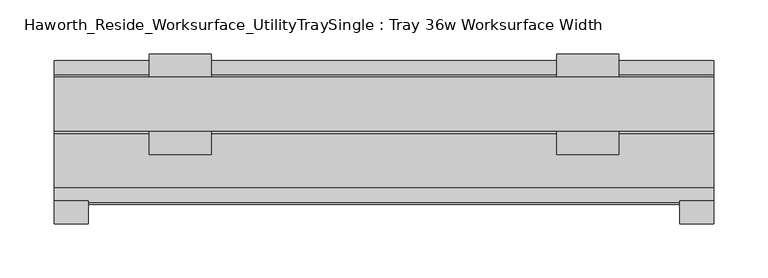
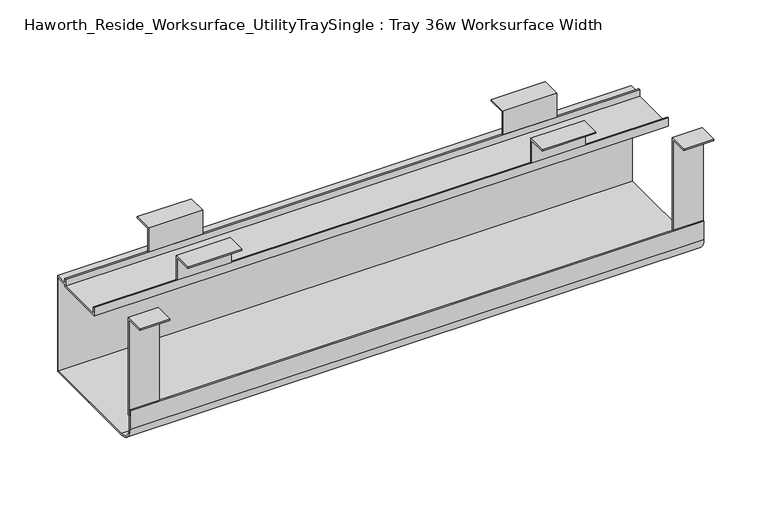
"""IFC4 building model written with IfcOpenShell, lengths in millimetres: furniture geometry, Haworth_Reside_Worksurface_UtilityTraySingle : Tray 36w Worksurface Width."""

from ifc_helpers import new_model, si_unit, point, frame, frame_2d, origin, place, context, project, spatial, polyline, circle_curve, trimmed, segment, composite_curve, outline, extrude, source, transform, mapped, element, save


def haworth_reside_worksurface_utilitytraysingle_tray_36w_8e8decc5(model_context):
    return source(origin(), model_context, "Body", "SweptSolid", [
        extrude(outline(polyline([(85.2804983, 731.8375), (85.2804983, 705.0616227), (83.6929983, 705.0616227), (83.6929983, 730.25), (64.1984987, 730.25), (64.1984987, 731.8375), (85.2804983, 731.8375)])), frame((235.74375, 0.0, 0.0), z_axis=(1.0, 0.0, 0.0), x_axis=(0.0, 1.0, 0.0)), (0.0, 0.0, 1.0), 57.15),
        extrude(outline(polyline([(136.0804991, 731.8375), (157.1625, 731.8375), (157.1625, 730.25), (137.6679991, 730.25), (137.6679991, 705.0616227), (136.0804991, 705.0616227), (136.0804991, 731.8375)])), frame((235.74375, 0.0, 0.0), z_axis=(1.0, 0.0, 0.0), x_axis=(0.0, 1.0, 0.0)), (0.0, 0.0, 1.0), 57.15),
        extrude(outline(polyline([(85.2804983, 731.8375), (85.2804983, 705.0616227), (83.6929983, 705.0616227), (83.6929983, 730.25), (64.1984987, 730.25), (64.1984987, 731.8375), (85.2804983, 731.8375)])), frame((-140.49375, 0.0, 0.0), z_axis=(1.0, 0.0, 0.0), x_axis=(0.0, 1.0, 0.0)), (0.0, 0.0, 1.0), 57.15),
        extrude(outline(polyline([(136.0804991, 731.8375), (157.1625, 731.8375), (157.1625, 730.25), (137.6679991, 730.25), (137.6679991, 705.0616227), (136.0804991, 705.0616227), (136.0804991, 731.8375)])), frame((-140.49375, 0.0, 0.0), z_axis=(1.0, 0.0, 0.0), x_axis=(0.0, 1.0, 0.0)), (0.0, 0.0, 1.0), 57.15),
        extrude(outline(polyline([(21.0438957, 731.8375), (21.0438957, 622.3673792), (19.4563957, 622.3673792), (19.4563957, 730.25), (0.0, 730.25), (0.0, 731.8375), (21.0438957, 731.8375)])), frame((349.25, 0.0, 0.0), z_axis=(1.0, 0.0, 0.0), x_axis=(0.0, 1.0, 0.0)), (0.0, 0.0, 1.0), 31.75),
        extrude(outline(polyline([(21.0438957, 731.8375), (21.0438957, 622.3673792), (19.4563957, 622.3673792), (19.4563957, 730.25), (0.0, 730.25), (0.0, 731.8375), (21.0438957, 731.8375)])), frame((-228.6, 0.0, 0.0), z_axis=(1.0, 0.0, 0.0), x_axis=(0.0, 1.0, 0.0)), (0.0, 0.0, 1.0), 31.75),
        extrude(outline(composite_curve([segment(polyline([(151.2189002, 592.1375), (33.7438957, 592.1375)]), True, "CONTINUOUS"), segment(trimmed(circle_curve(frame_2d((33.7438957, 608.0125)), 15.875), [point((33.7438957, 592.1375))], [point((17.8688957, 608.0125))], False, "CARTESIAN"), True, "CONTINUOUS"), segment(polyline([(17.8688957, 608.0125), (17.8688957, 629.0309801), (19.4563957, 629.0309801), (19.4563957, 608.0759608)]), True, "CONTINUOUS"), segment(trimmed(circle_curve(frame_2d((33.7438957, 608.0759608)), 14.2875), [point((19.4563957, 608.0759608))], [point((33.7438957, 593.7884608))], True, "CARTESIAN"), True, "CONTINUOUS"), segment(polyline([(33.7438957, 593.7884608), (149.6314002, 593.7884608), (149.6314002, 698.4364942), (137.6679991, 698.4364942), (137.6679991, 695.8584054), (83.6929983, 695.8584054), (83.6929983, 705.0616227), (85.2804983, 705.0616227), (85.2804983, 697.4459054), (136.0804991, 697.4459054), (136.0804991, 705.0616227), (137.6679991, 705.0616227), (137.6679991, 700.0239942), (151.2189002, 700.0239942), (151.2189002, 592.1375)]), True, "CONTINUOUS")], self_intersect=False)), frame((-228.6, 0.0, 0.0), z_axis=(1.0, 0.0, 0.0), x_axis=(0.0, 1.0, 0.0)), (0.0, 0.0, 1.0), 609.6),
    ])


if __name__ == "__main__":
    model = new_model("IFC4")
    model_context = context("Model", 3, world=origin())
    ifc_project = project(units=[si_unit("LENGTHUNIT", "METRE", prefix="MILLI")], contexts=[model_context])
    site = spatial("IfcSite", under=ifc_project)
    building = spatial("IfcBuilding", under=site)
    placement = place(None, origin())
    haworth_reside_worksurface_utilitytraysingle_tray_36w_shape = haworth_reside_worksurface_utilitytraysingle_tray_36w_8e8decc5(model_context)
    element("IfcFurniture", 1, ObjectType="Haworth_Reside_Worksurface_UtilityTraySingle : Tray 36w Worksurface Width", at=placement, inside=building, context=model_context, shape_type="MappedRepresentation", body=[
        mapped(haworth_reside_worksurface_utilitytraysingle_tray_36w_shape, transform((0.0, 0.0, 0.0), x_axis=(1.0, 0.0, 0.0), y_axis=(0.0, 1.0, 0.0), z_axis=(0.0, 0.0, 1.0))),
    ])
    save(model, "model.ifc")
